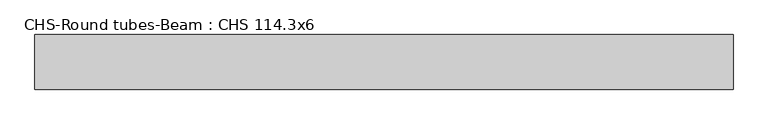
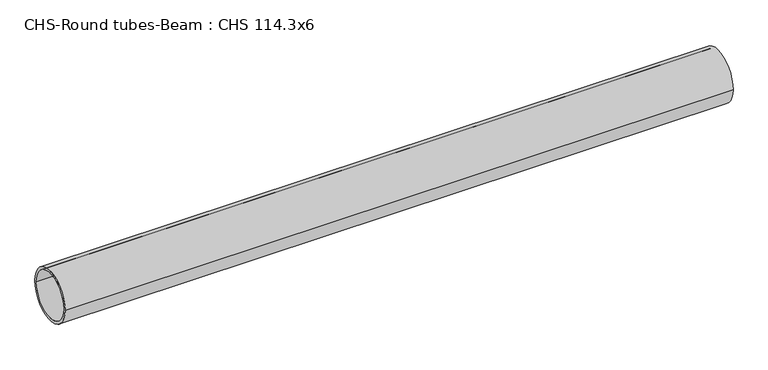
"""IFC4 building model written with IfcOpenShell, lengths in millimetres: beam geometry, CHS-Round tubes-Beam : CHS 114.3x6."""

from ifc_helpers import new_model, si_unit, point, frame, origin, origin_2d, place, context, project, spatial, circle_curve, trimmed, segment, composite_curve, outline, extrude, source, transform, mapped, element, save


def chs_round_tubes_beam_chs_114_3x6_4fc14b32(model_context):
    return source(origin(), model_context, "Body", "SweptSolid", [
        extrude(outline(composite_curve([segment(trimmed(circle_curve(origin_2d(), 57.15), [point((57.15, 0.0))], [point((-57.15, 0.0))], False, "CARTESIAN"), True, "CONTINUOUS"), segment(trimmed(circle_curve(origin_2d(), 57.15), [point((-57.15, 0.0))], [point((57.15, 0.0))], False, "CARTESIAN"), True, "CONTINUOUS")], self_intersect=False), holes=[composite_curve([segment(trimmed(circle_curve(origin_2d(), 51.15), [point((51.15, 0.0))], [point((-51.15, 0.0))], True, "CARTESIAN"), True, "CONTINUOUS"), segment(trimmed(circle_curve(origin_2d(), 51.15), [point((-51.15, 0.0))], [point((51.15, 0.0))], True, "CARTESIAN"), True, "CONTINUOUS")], self_intersect=False)]), frame((-770.3901071, 0.0, 0.0), z_axis=(1.0, 0.0, 0.0), x_axis=(0.0, 1.0, 0.0)), (0.0, 0.0, 1.0), 1459.9946259),
    ])


if __name__ == "__main__":
    model = new_model("IFC4")
    model_context = context("Model", 3, world=origin())
    ifc_project = project(units=[si_unit("LENGTHUNIT", "METRE", prefix="MILLI")], contexts=[model_context])
    site = spatial("IfcSite", under=ifc_project)
    building = spatial("IfcBuilding", under=site)
    placement = place(None, origin())
    chs_round_tubes_beam_chs_114_3x6_shape = chs_round_tubes_beam_chs_114_3x6_4fc14b32(model_context)
    element("IfcBeam", 1, ObjectType="CHS-Round tubes-Beam : CHS 114.3x6", at=placement, inside=building, context=model_context, shape_type="MappedRepresentation", body=[
        mapped(chs_round_tubes_beam_chs_114_3x6_shape, transform((0.0, 0.0, 0.0), x_axis=(1.0, 0.0, 0.0), y_axis=(0.0, 1.0, 0.0), z_axis=(0.0, 0.0, 1.0))),
    ])
    save(model, "model.ifc")
